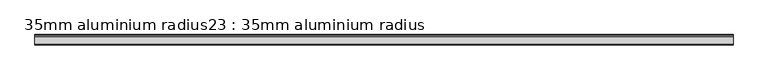
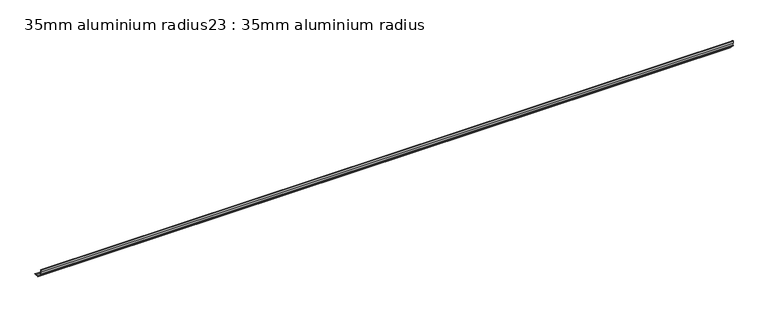
"""IFC4 building model written with IfcOpenShell, lengths in millimetres: proxy geometry, 35mm aluminium radius23 : 35mm aluminium radius."""

from ifc_helpers import new_model, si_unit, point, frame, frame_2d, origin, place, context, project, spatial, polyline, circle_curve, trimmed, segment, composite_curve, outline, extrude, source, transform, mapped, element, save


def proxy_35mm_aluminium_radius23_35mm_aluminium_radius_e8820b2f(model_context):
    return source(origin(), model_context, "Body", "SweptSolid", [
        extrude(outline(composite_curve([segment(trimmed(circle_curve(frame_2d((-31127.6544989, 309.9)), 0.5), [point((-31128.0211656, 309.5600654))], [point((-31127.3078799, 310.2603544))], False, "CARTESIAN"), True, "CONTINUOUS"), segment(trimmed(circle_curve(frame_2d((-31129.3544989, 308.0668752)), 3.0), [point((-31127.3078799, 310.2603544))], [point((-31126.3544989, 308.0668752))], False, "CARTESIAN"), True, "CONTINUOUS"), segment(polyline([(-31126.3544989, 308.0668752), (-31126.3544989, 301.8)]), True, "CONTINUOUS"), segment(trimmed(circle_curve(frame_2d((-31101.3544989, 301.8)), 25.0), [point((-31126.3544989, 301.8))], [point((-31101.3544989, 276.8))], True, "CARTESIAN"), True, "CONTINUOUS"), segment(polyline([(-31101.3544989, 276.8), (-31095.0876236, 276.8)]), True, "CONTINUOUS"), segment(trimmed(circle_curve(frame_2d((-31095.0876236, 273.8)), 3.0), [point((-31095.0876236, 276.8))], [point((-31092.8817456, 275.8332491))], False, "CARTESIAN"), True, "CONTINUOUS"), segment(trimmed(circle_curve(frame_2d((-31093.2544989, 275.5)), 0.5), [point((-31092.8817456, 275.8332491))], [point((-31093.5944335, 275.1333333))], False, "CARTESIAN"), True, "CONTINUOUS"), segment(trimmed(circle_curve(frame_2d((-31094.8140131, 272.5485482)), 2.8580567), [point((-31093.5944335, 275.1333333))], [point((-31095.0082068, 275.4))], True, "CARTESIAN"), True, "CONTINUOUS"), segment(polyline([(-31095.0082068, 275.4), (-31101.3544989, 275.4)]), True, "CONTINUOUS"), segment(trimmed(circle_curve(frame_2d((-31101.3544989, 301.8)), 26.4), [point((-31101.3544989, 275.4))], [point((-31109.3544989, 276.6413037))], False, "CARTESIAN"), True, "CONTINUOUS"), segment(polyline([(-31109.3544989, 276.6413037), (-31109.3544989, 275.0), (-31110.7544989, 275.0), (-31110.7544989, 277.1301804)]), True, "CONTINUOUS"), segment(trimmed(circle_curve(frame_2d((-31101.3544989, 301.8)), 26.4), [point((-31110.7544989, 277.1301804))], [point((-31126.0243185, 292.4))], False, "CARTESIAN"), True, "CONTINUOUS"), segment(polyline([(-31126.0243185, 292.4), (-31128.1544989, 292.4), (-31128.1544989, 293.8), (-31126.5131952, 293.8)]), True, "CONTINUOUS"), segment(trimmed(circle_curve(frame_2d((-31101.3544989, 301.8)), 26.4), [point((-31126.5131952, 293.8))], [point((-31127.7544989, 301.8))], False, "CARTESIAN"), True, "CONTINUOUS"), segment(polyline([(-31127.7544989, 301.8), (-31127.7544989, 308.5084497)]), True, "CONTINUOUS"), segment(trimmed(circle_curve(frame_2d((-31128.9300288, 308.7699793)), 1.2042709), [point((-31127.7544989, 308.5084497))], [point((-31128.0211656, 309.5600654))], True, "CARTESIAN"), True, "CONTINUOUS")], self_intersect=False)), frame((1584.6309284, 0.0, 0.0), z_axis=(1.0, 0.0, 0.0), x_axis=(0.0, 1.0, 0.0)), (0.0, 0.0, 1.0), 2400.0),
    ])


if __name__ == "__main__":
    model = new_model("IFC4")
    model_context = context("Model", 3, world=origin())
    ifc_project = project(units=[si_unit("LENGTHUNIT", "METRE", prefix="MILLI")], contexts=[model_context])
    site = spatial("IfcSite", under=ifc_project)
    building = spatial("IfcBuilding", under=site)
    placement = place(None, origin())
    proxy_35mm_aluminium_radius23_35mm_aluminium_radius_shape = proxy_35mm_aluminium_radius23_35mm_aluminium_radius_e8820b2f(model_context)
    element("IfcBuildingElementProxy", 1, Name="35mm aluminium radius23 : 35mm aluminium radius", ObjectType="35mm aluminium radius23 : 35mm aluminium radius", at=placement, inside=building, context=model_context, shape_type="MappedRepresentation", body=[
        mapped(proxy_35mm_aluminium_radius23_35mm_aluminium_radius_shape, transform((0.0, 0.0, 0.0), x_axis=(1.0, 0.0, 0.0), y_axis=(0.0, 1.0, 0.0), z_axis=(0.0, 0.0, 1.0))),
    ])
    save(model, "model.ifc")
